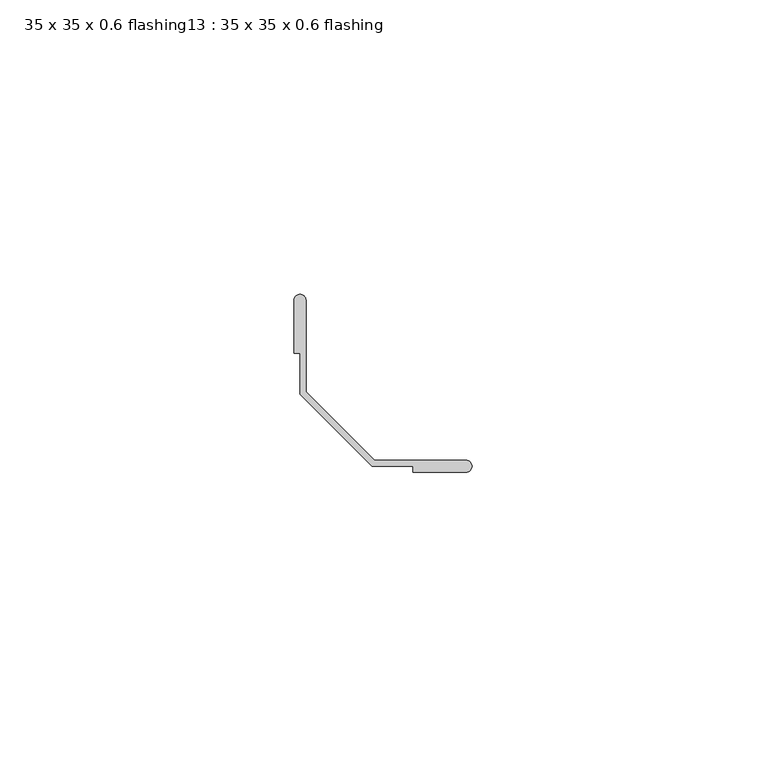
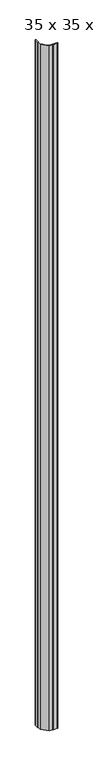
"""IFC4 building model written with IfcOpenShell, lengths in millimetres: proxy geometry, 35 x 35 x 0.6 flashing13 : 35 x 35 x 0.6 flashing."""

from ifc_helpers import new_model, si_unit, point, frame, frame_2d, origin, place, context, project, spatial, polyline, circle_curve, trimmed, segment, composite_curve, outline, extrude, source, transform, mapped, element, save


def proxy_35_x_35_x_0_6_flashing13_35_x_35_x_0_6_flashing_49857ead(model_context):
    return source(origin(), model_context, "Body", "SweptSolid", [
        extrude(outline(composite_curve([segment(polyline([(-7535.7725934, 986.8560632), (-7535.7725934, 971.2702768), (-7524.1484572, 959.6461406), (-7508.5626708, 959.6461406)]), True, "CONTINUOUS"), segment(trimmed(circle_curve(frame_2d((-7508.5626708, 958.6461406)), 1.0), [point((-7508.5626708, 959.6461406))], [point((-7508.5626708, 957.6461406))], False, "CARTESIAN"), True, "CONTINUOUS"), segment(polyline([(-7508.5626708, 957.6461406), (-7517.5953482, 957.6461406), (-7517.5953482, 958.6461406), (-7524.5626708, 958.6461406), (-7536.7725934, 970.8560632), (-7536.7725934, 977.8233859), (-7537.7725934, 977.8233859), (-7537.7725934, 986.8560632)]), True, "CONTINUOUS"), segment(trimmed(circle_curve(frame_2d((-7536.7725934, 986.8560632)), 1.0), [point((-7537.7725934, 986.8560632))], [point((-7535.7725934, 986.8560632))], False, "CARTESIAN"), True, "CONTINUOUS")], self_intersect=False)), frame((0.0, 0.0, -140.0), z_axis=(0.0, 0.0, 1.0), x_axis=(1.0, 0.0, 0.0)), (0.0, 0.0, 1.0), 1500.0),
    ])


if __name__ == "__main__":
    model = new_model("IFC4")
    model_context = context("Model", 3, world=origin())
    ifc_project = project(units=[si_unit("LENGTHUNIT", "METRE", prefix="MILLI")], contexts=[model_context])
    site = spatial("IfcSite", under=ifc_project)
    building = spatial("IfcBuilding", under=site)
    placement = place(None, origin())
    proxy_35_x_35_x_0_6_flashing13_35_x_35_x_0_6_flashing_shape = proxy_35_x_35_x_0_6_flashing13_35_x_35_x_0_6_flashing_49857ead(model_context)
    element("IfcBuildingElementProxy", 1, Name="35 x 35 x 0.6 flashing13 : 35 x 35 x 0.6 flashing", ObjectType="35 x 35 x 0.6 flashing13 : 35 x 35 x 0.6 flashing", at=placement, inside=building, context=model_context, shape_type="MappedRepresentation", body=[
        mapped(proxy_35_x_35_x_0_6_flashing13_35_x_35_x_0_6_flashing_shape, transform((0.0, 0.0, 0.0), x_axis=(1.0, 0.0, 0.0), y_axis=(0.0, 1.0, 0.0), z_axis=(0.0, 0.0, 1.0))),
    ])
    save(model, "model.ifc")
